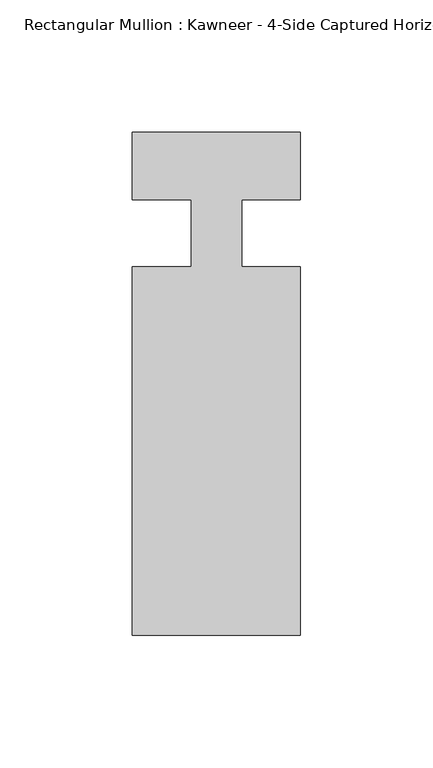
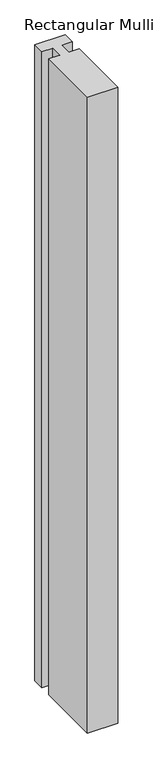
"""IFC4 building model written with IfcOpenShell, lengths in millimetres: member geometry."""

from ifc_helpers import new_model, si_unit, frame, origin, place, context, project, spatial, polyline, outline, extrude, source, transform, mapped, element, save


def member_42eab5c4(model_context):
    return source(origin(), model_context, "Body", "SweptSolid", [
        extrude(outline(polyline([(-9.525, 12.7), (-31.75, 12.7), (-31.75, 38.1), (31.75, 38.1), (31.75, 12.7), (9.5251132, 12.7), (9.5251132, -12.7), (31.75, -12.7), (31.75, -151.892), (-31.75, -151.892), (-31.75, -12.7), (-9.525, -12.7), (-9.525, 12.7)])), frame((0.0, 0.0, -1405.4555615), z_axis=(0.0, 0.0, 1.0), x_axis=(1.0, 0.0, 0.0)), (0.0, 0.0, 1.0), 1405.4555615),
    ])


if __name__ == "__main__":
    model = new_model("IFC4")
    model_context = context("Model", 3, world=origin())
    ifc_project = project(units=[si_unit("LENGTHUNIT", "METRE", prefix="MILLI")], contexts=[model_context])
    site = spatial("IfcSite", under=ifc_project)
    building = spatial("IfcBuilding", under=site)
    placement = place(None, origin())
    member_shape = member_42eab5c4(model_context)
    element("IfcMember", 1, ObjectType="Rectangular Mullion : Kawneer - 4-Side Captured Horizontal Mullion - 7 1/2\"", at=placement, inside=building, context=model_context, shape_type="MappedRepresentation", body=[
        mapped(member_shape, transform((0.0, 0.0, 0.0), x_axis=(1.0, 0.0, 0.0), y_axis=(0.0, 1.0, 0.0), z_axis=(0.0, 0.0, 1.0))),
    ])
    save(model, "model.ifc")
